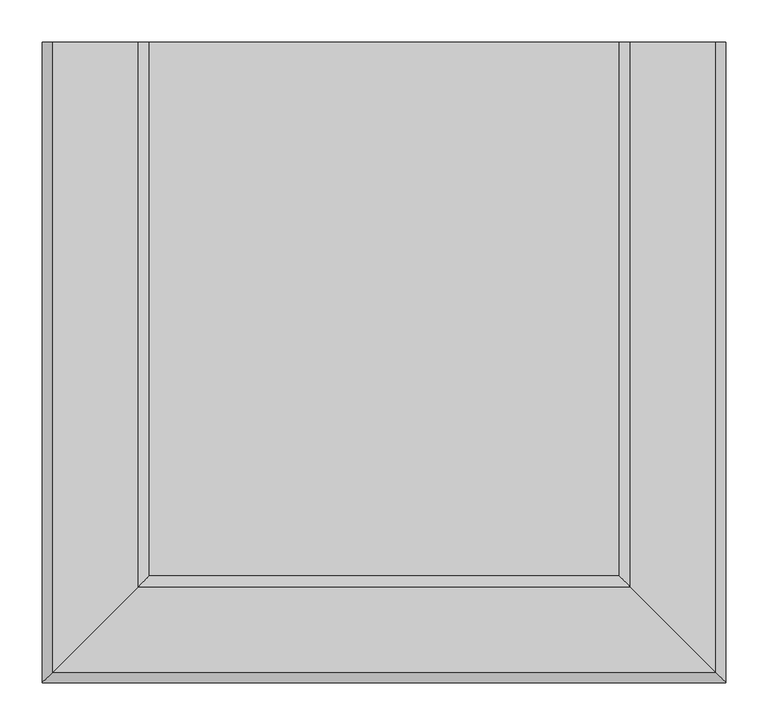
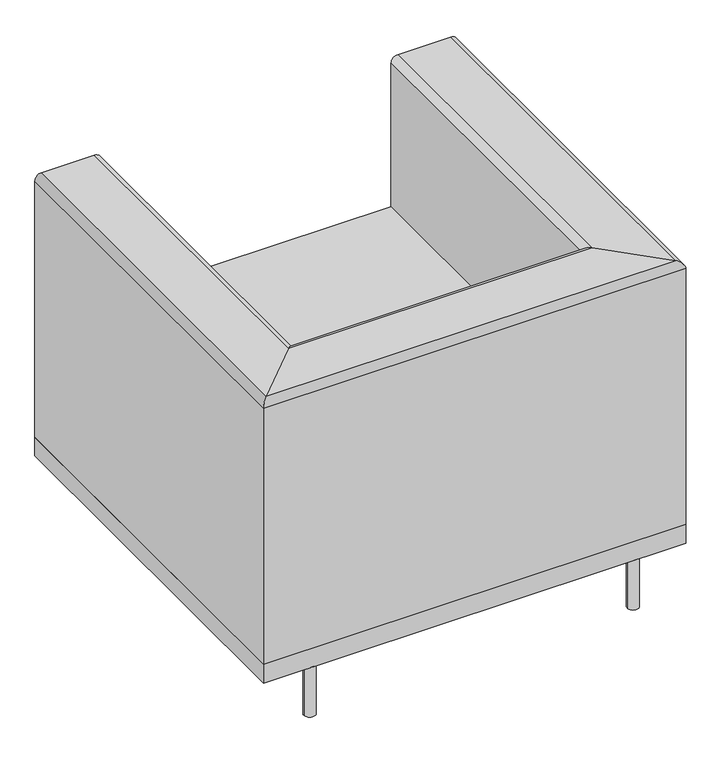
"""IFC4 building model written with IfcOpenShell, lengths in millimetres: furniture geometry."""

from ifc_helpers import new_model, si_unit, point, frame, frame_2d, origin, origin_with_axes, place, context, project, spatial, polyline, circle_curve, ellipse_curve, trimmed, segment, composite_curve, outline, extrude, source, transform, mapped, element, save
from ifc_brep_helpers import plane_surface, cylinder_surface, advanced_brep


def furniture_9e04bb55(model_context):
    return source(origin(), model_context, "Body", "SolidModel", [
        extrude(outline(composite_curve([segment(trimmed(circle_curve(frame_2d((884.5237705, -836.6645492)), 11.1125), [point((895.6362705, -836.6645492))], [point((873.4112705, -836.6645492))], False, "CARTESIAN"), True, "CONTINUOUS"), segment(trimmed(circle_curve(frame_2d((884.5237705, -836.6645492)), 11.1125), [point((873.4112705, -836.6645492))], [point((895.6362705, -836.6645492))], False, "CARTESIAN"), True, "CONTINUOUS")], self_intersect=False)), origin_with_axes(), (0.0, 0.0, 1.0), 101.6),
        extrude(outline(composite_curve([segment(trimmed(circle_curve(frame_2d((262.2237705, -836.6645492)), 11.1125), [point((273.3362705, -836.6645492))], [point((251.1112705, -836.6645492))], False, "CARTESIAN"), True, "CONTINUOUS"), segment(trimmed(circle_curve(frame_2d((262.2237705, -836.6645492)), 11.1125), [point((251.1112705, -836.6645492))], [point((273.3362705, -836.6645492))], False, "CARTESIAN"), True, "CONTINUOUS")], self_intersect=False)), origin_with_axes(), (0.0, 0.0, 1.0), 101.6),
        advanced_brep(
        [(166.9737705, -85.7770492, 139.7), (166.9737705, -85.7770492, 660.4), (179.6737705, -85.7770492, 673.1), (281.2737705, -85.7770492, 673.1), (293.9737705, -85.7770492, 660.4), (293.9737705, -85.7770492, 139.7), (293.9737705, -720.7770492, 139.7), (166.9737705, -847.7770492, 139.7), (293.9737705, -720.7770492, 660.4), (281.2737705, -733.4770492, 673.1), (179.6737705, -835.0770492, 673.1), (166.9737705, -847.7770492, 660.4), (852.7737705, -720.7770492, 139.7), (979.7737705, -847.7770492, 139.7), (852.7737705, -720.7770492, 660.4), (865.4737705, -733.4770492, 673.1), (967.0737705, -835.0770492, 673.1), (979.7737705, -847.7770492, 660.4), (979.7737705, -85.7770492, 139.7), (852.7737705, -85.7770492, 139.7), (852.7737705, -85.7770492, 660.4), (865.4737705, -85.7770492, 673.1), (967.0737705, -85.7770492, 673.1), (979.7737705, -85.7770492, 660.4)],
        [
            (0, 1),
            (1, 2, circle_curve(frame((179.6737705, -85.7770492, 660.4), z_axis=(0.0, 1.0, 0.0), x_axis=(-1.0, 0.0, 0.0)), 12.7)),
            (2, 3),
            (3, 4, circle_curve(frame((281.2737705, -85.7770492, 660.4), z_axis=(0.0, 1.0, 0.0), x_axis=(-1.0, 0.0, 0.0)), 12.7)),
            (4, 5),
            (5, 0),
            (5, 6),
            (6, 7),
            (7, 0),
            (4, 8),
            (8, 6),
            (3, 9),
            (9, 8, ellipse_curve(frame((281.2737705, -733.4770492, 660.4), z_axis=(-0.7071067811865475, 0.7071067811865475, 0.0), x_axis=(0.7071067811865474, 0.7071067811865476, 0.0)), 17.9605122, 12.7)),
            (2, 10),
            (10, 9),
            (1, 11),
            (11, 10, ellipse_curve(frame((179.6737705, -835.0770492, 660.4), z_axis=(-0.7071067811865475, 0.7071067811865475, 0.0), x_axis=(0.7071067811865474, 0.7071067811865476, 0.0)), 17.9605122, 12.7)),
            (7, 11),
            (6, 12),
            (12, 13),
            (13, 7),
            (8, 14),
            (14, 12),
            (9, 15),
            (15, 14, ellipse_curve(frame((865.4737705, -733.4770492, 660.4), z_axis=(-0.7071067811865475, -0.7071067811865475, 0.0), x_axis=(-0.7071067811865476, 0.7071067811865474, 0.0)), 17.9605122, 12.7)),
            (10, 16),
            (16, 15),
            (11, 17),
            (17, 16, ellipse_curve(frame((967.0737705, -835.0770492, 660.4), z_axis=(-0.7071067811865475, -0.7071067811865475, 0.0), x_axis=(-0.7071067811865476, 0.7071067811865474, 0.0)), 17.9605122, 12.7)),
            (13, 17),
            (18, 19),
            (19, 20),
            (20, 21, circle_curve(frame((865.4737705, -85.7770492, 660.4), z_axis=(0.0, 1.0, 0.0), x_axis=(1.0, 0.0, 0.0)), 12.7)),
            (21, 22),
            (22, 23, circle_curve(frame((967.0737705, -85.7770492, 660.4), z_axis=(0.0, 1.0, 0.0), x_axis=(1.0, 0.0, 0.0)), 12.7)),
            (23, 18),
            (12, 19),
            (18, 13),
            (14, 20),
            (15, 21),
            (16, 22),
            (17, 23),
        ],
        [
            plane_surface(frame((-515.7619763, -85.7770492, 0.0), z_axis=(0.0, 1.0, 0.0), x_axis=(0.0, 0.0, 1.0))),
            plane_surface(frame((166.9737705, -85.7770492, 139.7), z_axis=(0.0, 0.0, -1.0), x_axis=(0.0, -1.0, 0.0))),
            plane_surface(frame((293.9737705, -85.7770492, 139.7), z_axis=(1.0, 0.0, 0.0), x_axis=(0.0, -1.0, 0.0))),
            cylinder_surface(frame((281.2737705, -85.7770492, 660.4), z_axis=(0.0, 1.0, 0.0), x_axis=(-1.0, 0.0, 0.0)), 12.7),
            plane_surface(frame((281.2737705, -85.7770492, 673.1), z_axis=(0.0, 0.0, 1.0), x_axis=(0.0, -1.0, 0.0))),
            cylinder_surface(frame((179.6737705, -85.7770492, 660.4), z_axis=(0.0, 1.0, 0.0), x_axis=(-1.0, 0.0, 0.0)), 12.7),
            plane_surface(frame((166.9737705, -85.7770492, 660.4), z_axis=(-1.0, 0.0, 0.0), x_axis=(0.0, -1.0, 0.0))),
            plane_surface(frame((166.9737705, -847.7770492, 139.7), z_axis=(0.0, 0.0, -1.0), x_axis=(1.0, 0.0, 0.0))),
            plane_surface(frame((293.9737705, -720.7770492, 139.7), z_axis=(0.0, 1.0, 0.0), x_axis=(1.0, 0.0, 0.0))),
            cylinder_surface(frame((166.9737705, -733.4770492, 660.4), z_axis=(-1.0, 0.0, 0.0), x_axis=(0.0, -1.0, 0.0)), 12.7),
            plane_surface(frame((281.2737705, -733.4770492, 673.1), z_axis=(0.0, 0.0, 1.0), x_axis=(1.0, 0.0, 0.0))),
            cylinder_surface(frame((166.9737705, -835.0770492, 660.4), z_axis=(-1.0, 0.0, 0.0), x_axis=(0.0, -1.0, 0.0)), 12.7),
            plane_surface(frame((166.9737705, -847.7770492, 660.4), z_axis=(0.0, -1.0, 0.0), x_axis=(1.0, 0.0, 0.0))),
            plane_surface(frame((297.0380237, -85.7770492, 0.0), z_axis=(0.0, 1.0, 0.0), x_axis=(0.0, 0.0, -1.0))),
            plane_surface(frame((979.7737705, -847.7770492, 139.7), z_axis=(0.0, 0.0, -1.0), x_axis=(0.0, 1.0, 0.0))),
            plane_surface(frame((852.7737705, -720.7770492, 139.7), z_axis=(-1.0, 0.0, 0.0), x_axis=(0.0, 1.0, 0.0))),
            cylinder_surface(frame((865.4737705, -847.7770492, 660.4), z_axis=(0.0, -1.0, 0.0), x_axis=(1.0, 0.0, 0.0)), 12.7),
            plane_surface(frame((865.4737705, -733.4770492, 673.1), z_axis=(0.0, 0.0, 1.0), x_axis=(0.0, 1.0, 0.0))),
            cylinder_surface(frame((967.0737705, -847.7770492, 660.4), z_axis=(0.0, -1.0, 0.0), x_axis=(1.0, 0.0, 0.0)), 12.7),
            plane_surface(frame((979.7737705, -847.7770492, 660.4), z_axis=(1.0, 0.0, 0.0), x_axis=(0.0, 1.0, 0.0))),
        ],
        [
            (0, [[1, 2, 3, 4, 5, 6]]),
            (1, [[7, 8, 9, -6]]),
            (2, [[10, 11, -7, -5]]),
            (3, [[12, 13, -10, -4]]),
            (4, [[14, 15, -12, -3]]),
            (5, [[16, 17, -14, -2]]),
            (6, [[-9, 18, -16, -1]]),
            (7, [[19, 20, 21, -8]]),
            (8, [[22, 23, -19, -11]]),
            (9, [[24, 25, -22, -13]]),
            (10, [[26, 27, -24, -15]]),
            (11, [[28, 29, -26, -17]]),
            (12, [[-21, 30, -28, -18]]),
            (13, [[31, 32, 33, 34, 35, 36]]),
            (14, [[37, -31, 38, -20]]),
            (15, [[39, -32, -37, -23]]),
            (16, [[40, -33, -39, -25]]),
            (17, [[41, -34, -40, -27]]),
            (18, [[42, -35, -41, -29]]),
            (19, [[-38, -36, -42, -30]]),
        ],
    ),
        extrude(outline(composite_curve([segment(trimmed(circle_curve(frame_2d((884.5237705, -96.8895492)), 11.1125), [point((895.6362705, -96.8895492))], [point((873.4112705, -96.8895492))], False, "CARTESIAN"), True, "CONTINUOUS"), segment(trimmed(circle_curve(frame_2d((884.5237705, -96.8895492)), 11.1125), [point((873.4112705, -96.8895492))], [point((895.6362705, -96.8895492))], False, "CARTESIAN"), True, "CONTINUOUS")], self_intersect=False)), origin_with_axes(), (0.0, 0.0, 1.0), 101.6),
        extrude(outline(composite_curve([segment(trimmed(circle_curve(frame_2d((262.2237705, -96.8895492)), 11.1125), [point((273.3362705, -96.8895492))], [point((251.1112705, -96.8895492))], False, "CARTESIAN"), True, "CONTINUOUS"), segment(trimmed(circle_curve(frame_2d((262.2237705, -96.8895492)), 11.1125), [point((251.1112705, -96.8895492))], [point((273.3362705, -96.8895492))], False, "CARTESIAN"), True, "CONTINUOUS")], self_intersect=False)), origin_with_axes(), (0.0, 0.0, 1.0), 101.6),
        extrude(outline(polyline([(852.7737705, -720.7770492), (293.9737705, -720.7770492), (293.9737705, -85.7770492), (852.7737705, -85.7770492), (852.7737705, -720.7770492)])), frame((0.0, 0.0, 139.7), z_axis=(0.0, 0.0, 1.0), x_axis=(1.0, 0.0, 0.0)), (0.0, 0.0, 1.0), 228.6),
        extrude(outline(polyline([(979.7737705, -847.7770492), (166.9737705, -847.7770492), (166.9737705, -85.7770492), (979.7737705, -85.7770492), (979.7737705, -847.7770492)])), frame((0.0, 0.0, 101.6), z_axis=(0.0, 0.0, 1.0), x_axis=(1.0, 0.0, 0.0)), (0.0, 0.0, 1.0), 38.1),
    ])


if __name__ == "__main__":
    model = new_model("IFC4")
    model_context = context("Model", 3, world=origin())
    ifc_project = project(units=[si_unit("LENGTHUNIT", "METRE", prefix="MILLI")], contexts=[model_context])
    site = spatial("IfcSite", under=ifc_project)
    building = spatial("IfcBuilding", under=site)
    placement = place(None, origin())
    furniture_shape = furniture_9e04bb55(model_context)
    element("IfcFurniture", 1, at=placement, inside=building, context=model_context, shape_type="MappedRepresentation", body=[
        mapped(furniture_shape, transform((0.0, 0.0, 0.0), x_axis=(1.0, 0.0, 0.0), y_axis=(0.0, 1.0, 0.0), z_axis=(0.0, 0.0, 1.0))),
    ])
    save(model, "model.ifc")
